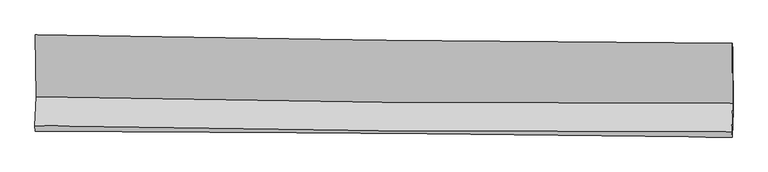
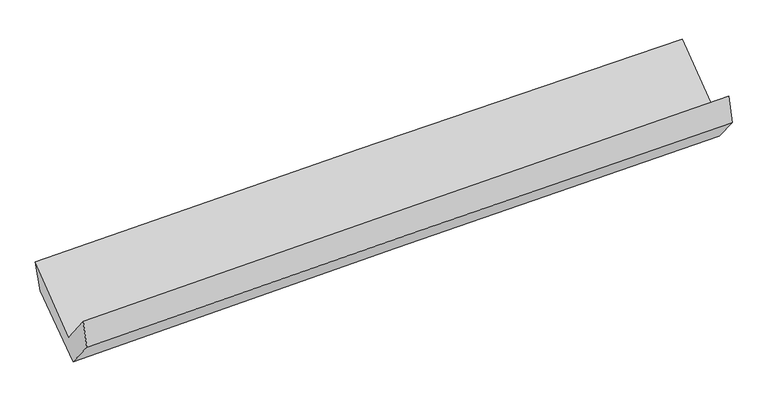
"""IFC4 building model written with IfcOpenShell, lengths in millimetres: proxy geometry."""

from ifc_helpers import new_model, si_unit, frame, origin, place, context, project, spatial, source, transform, mapped, element, save
from ifc_brep_helpers import plane_surface, spline_curve, spline_surface, advanced_brep


def generic_models_06715563(model_context):
    return source(origin(), model_context, "Body", "AdvancedBrep", [
        advanced_brep(
        [(-3039.3657363, -1146.9786261, 2178.1882027), (-3034.0635428, -1686.7110945, 1750.9249834), (3023.9694041, -1742.9383382, 1916.7859105), (3020.9835893, -1218.323054, 2318.8210328), (-3043.8661801, -1935.7372315, 2064.181209), (3014.3386642, -1987.3158711, 2223.8210204), (-3038.7490466, -1984.6299113, 1832.2700258), (3019.099816, -2034.8671385, 1985.9834905), (-3029.526879, -1745.3743628, 1539.4656014), (3027.805645, -1809.5268574, 1710.7004152), (-3033.9225473, -1214.8442112, 1925.4379044), (3025.5196976, -1277.6428803, 2085.0618273)],
        [
            (0, 1),
            (1, 2, spline_curve(3, [(-3034.0635428, -1686.7110945, 1750.9249834), (-2024.739024469, -1708.381500007, 1791.072109035), (-1015.19297593, -1723.90216812, 1824.968130947), (1004.151423246, -1742.642259385, 1880.252745156), (2013.949690473, -1745.864005959, 1901.643698698), (3023.9694041, -1742.9383382, 1916.7859105)], [4, 2, 4], [0.0, 9.944581300474999, 19.887283935716518])),
            (2, 3),
            (3, 0, spline_curve(3, [(3020.9835893, -1218.323054, 2318.8210328), (2010.670018766, -1212.785255313, 2307.87236662), (1000.531814385, -1204.071848947, 2290.680327921), (-1019.584694007, -1180.291572834, 2243.805077578), (-2029.562931342, -1165.223503563, 2214.119506073), (-3039.3657363, -1146.9786261, 2178.1882027)], [4, 2, 4], [0.0, 9.942702635241519, 19.887283935716518])),
            (1, 4),
            (4, 5, spline_curve(3, [(-3043.8661801, -1935.7372315, 2064.181209), (-2034.496169972, -1956.128764576, 2102.781804413), (-1024.913050171, -1970.622600253, 2135.386110015), (994.488644874, -1987.813252021, 2188.597115172), (2004.307139995, -1990.512296264, 2209.206079815), (3014.3386642, -1987.3158711, 2223.8210204)], [4, 2, 4], [0.0, 9.943135009427163, 19.88439162684469])),
            (5, 2),
            (4, 6),
            (6, 7, spline_curve(3, [(-3038.7490466, -1984.6299113, 1832.2700258), (-2028.979361452, -1987.616985715, 1857.541896106), (-1019.226093456, -1993.297608199, 1882.988513307), (1000.056854577, -2010.044368408, 1934.226401072), (2009.586540948, -2021.109487977, 1960.017605334), (3019.099816, -2034.8671385, 1985.9834905)], [4, 2, 4], [0.0, 9.942374547623396, 19.882870846898623])),
            (7, 5),
            (6, 8),
            (8, 9, spline_curve(3, [(-3029.526879, -1745.3743628, 1539.4656014), (-2020.025252156, -1755.50443416, 1573.397335398), (-1010.449037321, -1765.916042336, 1604.633863303), (1008.661832297, -1787.300313785, 1661.711116457), (2018.196458571, -1798.272870042, 1687.552859526), (3027.805645, -1809.5268574, 1710.7004152)], [4, 2, 4], [0.0, 9.941969950871673, 19.882061729828948])),
            (9, 7),
            (8, 10),
            (10, 11, spline_curve(3, [(-3033.9225473, -1214.8442112, 1925.4379044), (-2024.105527206, -1231.083667443, 1957.043781973), (-1014.195787264, -1244.436839607, 1986.149735061), (1005.618329207, -1265.368639057, 2039.356764702), (2015.52267105, -1272.948356308, 2063.458786236), (3025.5196976, -1277.6428803, 2085.0618273)], [4, 2, 4], [0.0, 9.943536847438816, 19.885195226955386])),
            (11, 9),
            (10, 0),
            (3, 11),
        ],
        [
            spline_surface(3, 3, [[(-3039.3657363, -1146.9786261, 2178.1882027), (-2029.562931294, -1165.223503661, 2214.119506155), (-1019.584693887, -1180.291572983, 2243.805077528), (1000.531814265, -1204.071848798, 2290.680327971), (2010.670018708, -1212.785255405, 2307.872366645), (3020.9835893, -1218.323054, 2318.8210328)], [(-3037.59833845, -1326.889448889, 2035.767129606), (-2027.954962373, -1346.2761691, 2073.103707123), (-1018.120787913, -1361.49510469, 2104.19276203), (1001.738350626, -1383.595318985, 2153.871133688), (2011.763242597, -1390.478172186, 2172.462810718), (3021.978860895, -1393.194815375, 2184.809325378)], [(-3035.83094065, -1506.800271711, 1893.346056494), (-2026.346993504, -1527.328834572, 1932.087908073), (-1016.656881972, -1542.698636418, 1964.580446506), (1002.944886953, -1563.118789193, 2017.061939379), (2012.856466501, -1568.171089042, 2037.053254756), (3022.974132505, -1568.066576825, 2050.797617922)], [(-3034.0635428, -1686.7110945, 1750.9249834), (-2024.739024583, -1708.381500011, 1791.07210904), (-1015.192975998, -1723.902168125, 1824.968131008), (1004.151423314, -1742.64225938, 1880.252745095), (2013.94969039, -1745.864005823, 1901.643698829), (3023.9694041, -1742.9383382, 1916.7859105)]], [4, 4], [4, 2, 4], [0.0, 2.2365513887908692], [0.0, 9.944581300474999, 19.887283935716518]),
            spline_surface(3, 3, [[(-3034.0635428, -1686.7110945, 1750.9249834), (-2024.739024583, -1708.381500011, 1791.07210904), (-1015.192975998, -1723.902168125, 1824.968131008), (1004.151423314, -1742.64225938, 1880.252745095), (2013.94969039, -1745.864005823, 1901.643698829), (3023.9694041, -1742.9383382, 1916.7859105)], [(-3037.331088576, -1769.719806848, 1855.343725263), (-2027.991406437, -1790.963921589, 1894.975340815), (-1018.433000774, -1806.142312163, 1928.440790666), (1000.9304972, -1824.365923589, 1983.034201759), (2010.73550692, -1827.413436004, 2004.164492527), (3020.759157491, -1824.397515844, 2019.130947115)], [(-3040.598634324, -1852.728519152, 1959.762467137), (-2031.243788263, -1873.546343122, 1998.878572599), (-1021.673025521, -1888.382456215, 2031.913450384), (997.709571114, -1906.089587812, 2085.815658483), (2007.521323377, -1908.962866152, 2106.685286279), (3017.548910809, -1905.856693456, 2121.475983785)], [(-3043.8661801, -1935.7372315, 2064.181209), (-2034.496170117, -1956.128764699, 2102.781804373), (-1024.913050297, -1970.622600252, 2135.386110041), (994.488645, -1987.813252021, 2188.597115146), (2004.307139908, -1990.512296333, 2209.206079977), (3014.3386642, -1987.3158711, 2223.8210204)]], [4, 4], [4, 2, 4], [0.0, 1.2970738248892422], [0.0, 9.943135009427163, 19.88439162684469]),
            spline_surface(3, 3, [[(-3043.8661801, -1935.7372315, 2064.181209), (-2034.496170117, -1956.128764699, 2102.781804373), (-1024.913050297, -1970.622600252, 2135.386110041), (994.488645, -1987.813252021, 2188.597115146), (2004.307139908, -1990.512296333, 2209.206079977), (3014.3386642, -1987.3158711, 2223.8210204)], [(-3042.160468919, -1952.034791432, 1986.877481274), (-2032.657233846, -1966.624838338, 2021.035168327), (-1023.017398026, -1978.18093627, 2051.253577842), (996.344714833, -1995.223624116, 2103.806877106), (2006.066940206, -2000.711360227, 2126.143255127), (3015.925714778, -2003.166293566, 2144.541843788)], [(-3040.454757781, -1968.332351368, 1909.573753526), (-2030.818297617, -1977.120911981, 1939.288532258), (-1021.121745701, -1985.739272285, 1967.121045598), (998.200784718, -2002.633996209, 2019.016639021), (2007.82674057, -2010.910424124, 2043.080430215), (3017.512765422, -2019.016716034, 2065.262667112)], [(-3038.7490466, -1984.6299113, 1832.2700258), (-2028.979361347, -1987.61698562, 1857.541896212), (-1019.22609343, -1993.297608303, 1882.988513399), (1000.056854551, -2010.044368303, 1934.226400981), (2009.586540868, -2021.109488018, 1960.017605366), (3019.099816, -2034.8671385, 1985.9834905)]], [4, 4], [4, 2, 4], [0.0, 0.8347738969391911], [0.0, 9.942374547623396, 19.882870846898623]),
            spline_surface(3, 3, [[(-3038.7490466, -1984.6299113, 1832.2700258), (-2028.979361347, -1987.61698562, 1857.541896212), (-1019.22609343, -1993.297608303, 1882.988513399), (1000.056854551, -2010.044368303, 1934.226400981), (2009.586540868, -2021.109488018, 1960.017605366), (3019.099816, -2034.8671385, 1985.9834905)], [(-3035.67499074, -1904.878061803, 1734.668550986), (-2025.994658302, -1910.246135093, 1762.827042542), (-1016.300408022, -1917.503753036, 1790.203630056), (1002.925180463, -1935.796350107, 1843.387972786), (2012.45651346, -1946.830615378, 1869.196023407), (3022.00175899, -1959.753711452, 1894.222465374)], [(-3032.60093486, -1825.126212297, 1637.067076214), (-2023.009955237, -1832.875284557, 1668.112188914), (-1013.374722666, -1841.709897721, 1697.418746709), (1005.793506322, -1861.548331864, 1752.549544588), (2015.326486081, -1872.551742781, 1778.374441525), (3024.90370201, -1884.640284448, 1802.461440326)], [(-3029.526879, -1745.3743628, 1539.4656014), (-2020.025252192, -1755.50443403, 1573.397335243), (-1010.449037258, -1765.916042454, 1604.633863366), (1008.661832234, -1787.300313667, 1661.711116394), (2018.196458673, -1798.272870141, 1687.552859566), (3027.805645, -1809.5268574, 1710.7004152)]], [4, 4], [4, 2, 4], [0.0, 1.1673232262762054], [0.0, 9.941969950871673, 19.882061729828948]),
            spline_surface(3, 3, [[(-3029.526879, -1745.3743628, 1539.4656014), (-2020.025252192, -1755.50443403, 1573.397335243), (-1010.449037258, -1765.916042454, 1604.633863366), (1008.661832234, -1787.300313667, 1661.711116394), (2018.196458673, -1798.272870141, 1687.552859566), (3027.805645, -1809.5268574, 1710.7004152)], [(-3030.99210178, -1568.530978949, 1668.123035725), (-2021.385343891, -1580.697511834, 1701.279484197), (-1011.697953947, -1592.08964153, 1731.805820568), (1007.647331272, -1613.323088766, 1787.592999202), (2017.305196146, -1623.164698916, 1812.85483514), (3027.043662552, -1632.232198392, 1835.487552569)], [(-3032.45732452, -1391.687595051, 1796.780470075), (-2022.745435549, -1405.890589593, 1829.161633174), (-1012.946870676, -1418.263240615, 1858.977777756), (1006.632830271, -1439.345863874, 1913.474881997), (2016.413933563, -1448.056527616, 1938.156810707), (3026.281680048, -1454.937539308, 1960.274689931)], [(-3033.9225473, -1214.8442112, 1925.4379044), (-2024.105527247, -1231.083667397, 1957.043782127), (-1014.195787365, -1244.436839691, 1986.149734958), (1005.618329309, -1265.368638973, 2039.356764805), (2015.522671036, -1272.948356391, 2063.458786281), (3025.5196976, -1277.6428803, 2085.0618273)]], [4, 4], [4, 2, 4], [0.0, 2.1167644370653362], [0.0, 9.943536847438816, 19.885195226955386]),
            spline_surface(3, 3, [[(-3033.9225473, -1214.8442112, 1925.4379044), (-2024.105527247, -1231.083667397, 1957.043782127), (-1014.195787365, -1244.436839691, 1986.149734958), (1005.618329309, -1265.368638973, 2039.356764805), (2015.522671036, -1272.948356391, 2063.458786281), (3025.5196976, -1277.6428803, 2085.0618273)], [(-3035.736943636, -1192.222349479, 2009.688003845), (-2025.924661932, -1209.130279464, 2042.735690148), (-1015.992089554, -1223.05508412, 2072.034849139), (1003.922824279, -1244.93637558, 2123.131285851), (2013.905120254, -1252.8939894, 2144.929979744), (3024.007661494, -1257.869604871, 2162.981562475)], [(-3037.551339964, -1169.600487821, 2093.938103255), (-2027.743796609, -1187.176891594, 2128.427598134), (-1017.788391698, -1201.673328554, 2157.919963347), (1002.227319294, -1224.504112191, 2206.905806925), (2012.28756949, -1232.839622396, 2226.401173182), (3022.495625406, -1238.096329429, 2240.901297625)], [(-3039.3657363, -1146.9786261, 2178.1882027), (-2029.562931294, -1165.223503661, 2214.119506155), (-1019.584693887, -1180.291572983, 2243.805077528), (1000.531814265, -1204.071848798, 2290.680327971), (2010.670018708, -1212.785255405, 2307.872366645), (3020.9835893, -1218.323054, 2318.8210328)]], [4, 4], [4, 2, 4], [0.0, 0.8600969491421357], [0.0, 9.945509484731428, 19.88914012888288]),
            plane_surface(frame((3021.9528027, -1678.4356899, 2040.1956161), z_axis=(0.9996866429988525, -0.011392017398326139, 0.022289857542876355), x_axis=(-0.0035145458526143133, 0.8177487689531906, 0.5755645913735411))),
            plane_surface(frame((-3036.582322, -1619.0459062, 1881.7446545), z_axis=(-0.9996700939213968, 0.009171555288837788, -0.02399137121487124), x_axis=(0.02079461216033935, -0.2592668600669392, -0.9655818346345023))),
        ],
        [
            (0, [[1, 2, 3, 4]]),
            (1, [[5, 6, 7, -2]]),
            (2, [[8, 9, 10, -6]]),
            (3, [[11, 12, 13, -9]]),
            (4, [[14, 15, 16, -12]]),
            (5, [[17, -4, 18, -15]]),
            (6, [[-16, -18, -3, -7, -10, -13]]),
            (7, [[-17, -14, -11, -8, -5, -1]]),
        ],
    ),
    ])


if __name__ == "__main__":
    model = new_model("IFC4")
    model_context = context("Model", 3, world=origin())
    ifc_project = project(units=[si_unit("LENGTHUNIT", "METRE", prefix="MILLI")], contexts=[model_context])
    site = spatial("IfcSite", under=ifc_project)
    building = spatial("IfcBuilding", under=site)
    placement = place(None, origin())
    generic_models_shape = generic_models_06715563(model_context)
    element("IfcBuildingElementProxy", 1, Name="Generic Models", at=placement, inside=building, context=model_context, shape_type="MappedRepresentation", body=[
        mapped(generic_models_shape, transform((0.0, 0.0, 0.0), x_axis=(1.0, 0.0, 0.0), y_axis=(0.0, 1.0, 0.0), z_axis=(0.0, 0.0, 1.0))),
    ])
    save(model, "model.ifc")
